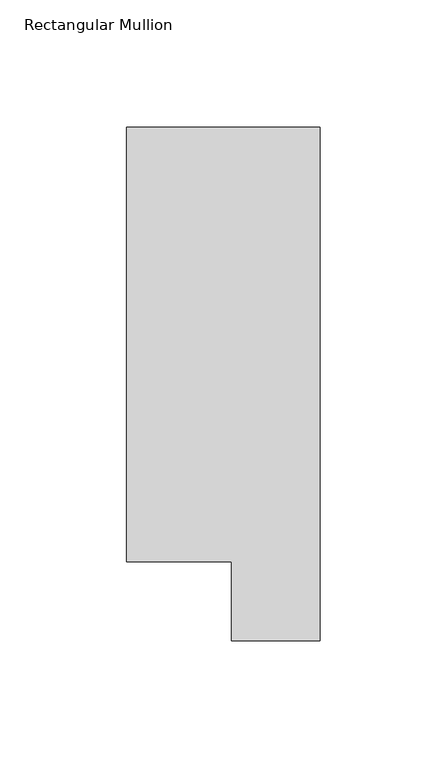
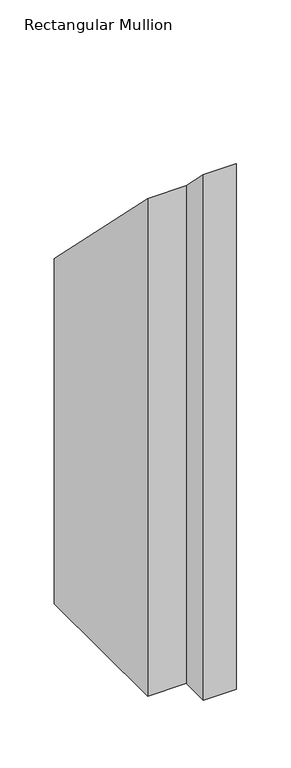
"""IFC4 building model written with IfcOpenShell, lengths in millimetres: member geometry, Rectangular Mullion."""

from ifc_helpers import new_model, si_unit, origin, place, context, project, spatial, faceted_brep, source, transform, mapped, element, save


def rectangular_mullion_4e3fa17b(model_context):
    return source(origin(), model_context, "Body", "Brep", [
        faceted_brep([(0.0, 222.0301313, -609.6), (0.0, 19.5667313, -609.6), (-34.9123, 19.5667312, -609.6), (-34.9123, 50.820278, -609.6), (-76.2, 50.820278, -609.6), (-76.2, 222.0301313, -609.6), (-76.2, 222.0301313, -222.0301312), (0.0, 222.0301313, -222.0301312), (-76.2, 50.820278, -50.820278), (-34.9123, 50.820278, -50.820278), (-34.9123, 19.5667312, -19.5667312), (0.0, 19.5667313, -19.5667313)], [[[0, 1, 2, 3, 4, 5]], [[6, 7, 0, 5]], [[8, 6, 5, 4]], [[9, 8, 4, 3]], [[10, 9, 3, 2]], [[11, 10, 2, 1]], [[7, 11, 1, 0]], [[7, 6, 8, 9, 10, 11]]]),
    ])


if __name__ == "__main__":
    model = new_model("IFC4")
    model_context = context("Model", 3, world=origin())
    ifc_project = project(units=[si_unit("LENGTHUNIT", "METRE", prefix="MILLI")], contexts=[model_context])
    site = spatial("IfcSite", under=ifc_project)
    building = spatial("IfcBuilding", under=site)
    placement = place(None, origin())
    rectangular_mullion_shape = rectangular_mullion_4e3fa17b(model_context)
    element("IfcMember", 1, ObjectType="Rectangular Mullion", at=placement, inside=building, context=model_context, shape_type="MappedRepresentation", body=[
        mapped(rectangular_mullion_shape, transform((0.0, 0.0, 0.0), x_axis=(1.0, 0.0, 0.0), y_axis=(0.0, 1.0, 0.0), z_axis=(0.0, 0.0, 1.0))),
    ])
    save(model, "model.ifc")
